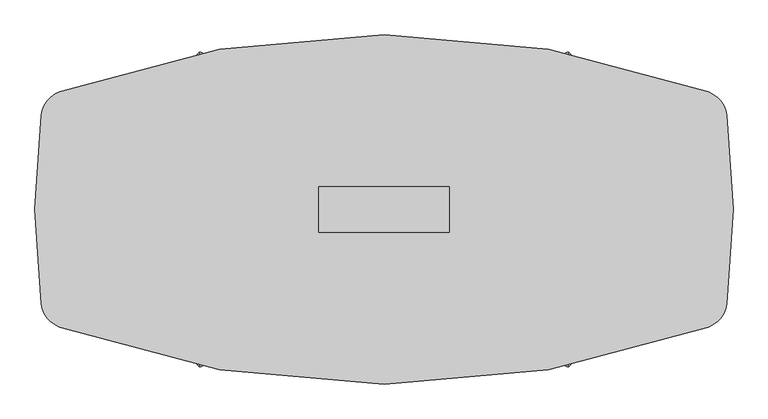
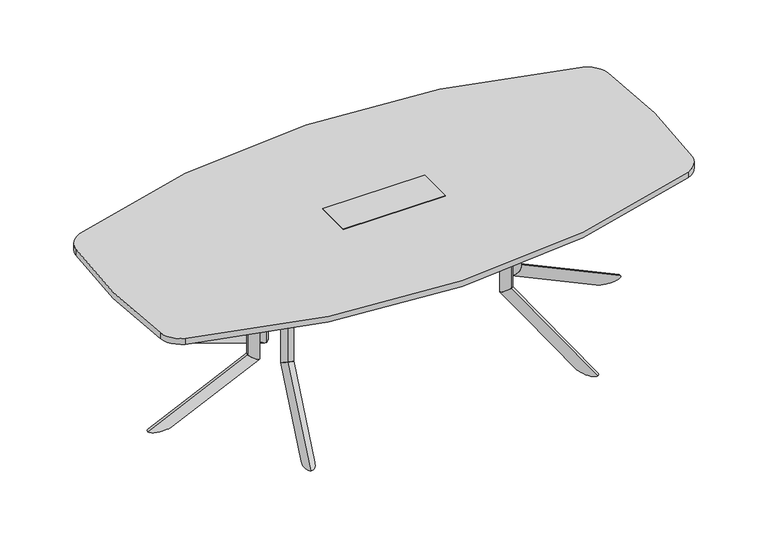
"""IFC4 building model written with IfcOpenShell, lengths in millimetres: furniture geometry."""

from ifc_helpers import new_model, si_unit, point, frame, frame_2d, origin, place, context, project, spatial, polyline, circle_curve, ellipse_curve, trimmed, segment, composite_curve, outline, extrude, faceted_brep, source, transform, mapped, element, save
from ifc_brep_helpers import plane_surface, cylinder_surface, advanced_brep


def furniture_1147ceb9(model_context):
    return source(origin(), model_context, "Body", "SolidModel", [
        advanced_brep(
        [(484.9223919, 75.2941685, 686.003912), (500.9497318, 122.655803, 686.003912), (500.9497318, 122.655803, 209.8373371), (484.9223919, 75.2941685, 177.9838308)],
        [
            (0, 1, circle_curve(frame((492.9360619, 98.9749857, 686.003912), z_axis=(0.0, 0.0, 1.0), x_axis=(0.3205467959798249, 0.9472326808060777, 0.0)), 25.0000002)),
            (1, 0, circle_curve(frame((492.9360619, 98.9749857, 686.003912), z_axis=(0.0, 0.0, 1.0), x_axis=(0.3205467959798249, 0.9472326808060777, 0.0)), 25.0000002)),
            (1, 2),
            (2, 3, ellipse_curve(frame((492.9360619, 98.9749857, 193.910584), z_axis=(-0.17222964099785984, -0.5089476688044559, 0.8433914993526187), x_axis=(0.2703464428741051, 0.7988879909008375, 0.5372995243062679)), 29.6422245, 25.0000002)),
            (3, 0),
            (3, 2, ellipse_curve(frame((492.9360619, 98.9749857, 193.910584), z_axis=(-0.17222964099785984, -0.5089476688044559, 0.8433914993526187), x_axis=(0.2703464428741051, 0.7988879909008375, 0.5372995243062679)), 29.6422245, 25.0000002)),
        ],
        [
            plane_surface(frame((500.9497318, 122.655803, 686.003912), z_axis=(0.0, 0.0, 1.0000000000000002), x_axis=(0.9472326808060777, -0.3205467959798249, 0.0))),
            cylinder_surface(frame((492.9360619, 98.9749857, 171.4949981), z_axis=(0.0, 0.0, 1.0), x_axis=(0.3205467959798249, 0.9472326808060777, 0.0)), 25.0000002),
            plane_surface(frame((567.0881968, 41.2603046, 174.2251154), z_axis=(0.17222964099785987, 0.508947668804456, -0.8433914993526189), x_axis=(-0.9472326808060767, 0.32054679597982794, 0.0))),
        ],
        [
            (0, [[1, 2]]),
            (1, [[3, 4, 5, -2]]),
            (1, [[-5, 6, -3, -1]]),
            (2, [[-6, -4]]),
        ],
    ),
        advanced_brep(
        [(645.1935324, 548.9087623, 0.0), (607.2663703, 436.8270746, 0.0), (484.9203866, 75.2882427, 177.9798453), (500.9497318, 122.6558029, 209.8373371)],
        [
            (0, 1, ellipse_curve(frame((626.230699, 492.8676655, 0.0), z_axis=(0.0, 0.0, 1.0), x_axis=(-0.32054679597982483, -0.9472326808060776, 0.0)), 59.162434, 25.003125)),
            (1, 2),
            (2, 3, ellipse_curve(frame((492.9350592, 98.9720228, 193.9085912), z_axis=(0.17222964099785967, 0.5089476688044554, -0.843391499352619), x_axis=(-0.27034644287410003, -0.7988879909008393, -0.5372995243062673)), 29.6459333, 25.003125)),
            (3, 0),
            (3, 2, ellipse_curve(frame((492.9350592, 98.9720228, 193.9085912), z_axis=(0.17222964099785967, 0.5089476688044554, -0.843391499352619), x_axis=(-0.27034644287410003, -0.7988879909008393, -0.5372995243062673)), 29.6459333, 25.003125)),
            (1, 0, ellipse_curve(frame((626.230699, 492.8676655, 0.0), z_axis=(0.0, 0.0, 1.0), x_axis=(-0.32054679597982483, -0.9472326808060776, 0.0)), 59.162434, 25.003125)),
        ],
        [
            cylinder_surface(frame((641.8078767, 538.8990467, -22.6605205), z_axis=(-0.2905140573061644, -0.858484354750152, 0.42261826174069417), x_axis=(0.13546892972354252, 0.40031782902624236, 0.9063077870366524)), 25.003125),
            plane_surface(frame((570.2905535, 107.1040594, 214.6127246), z_axis=(-0.1722296409978597, -0.5089476688044555, 0.8433914993526193), x_axis=(-0.9472326808060767, 0.3205467959798279, 0.0))),
            plane_surface(frame((651.1451428, 406.9632923, 0.0), z_axis=(0.0, 0.0, -1.0000000000000002), x_axis=(-0.9472326808060768, 0.3205467959798276, 0.0))),
        ],
        [
            (0, [[1, 2, 3, 4]]),
            (0, [[5, -2, 6, -4]]),
            (1, [[-5, -3]]),
            (2, [[-6, -1]]),
        ],
    ),
        extrude(outline(polyline([(0.0, 0.0), (-9.475476, 14.6158843), (381.7231629, 69.2843282), (391.4053704, 0.0), (0.0, 0.0)])), frame((627.1005039, 489.1986462, 670.2172707), z_axis=(-0.9472326808060766, 0.320546795979828, 0.0), x_axis=(-0.3174619360313854, -0.9381167570298226, -0.13840111759322388)), (0.0, 0.0, 1.0), 4.0),
        extrude(outline(polyline([(420.923204, 120.1483939), (558.1259996, 525.589888), (700.2109028, 477.5078683), (563.0081072, 72.0663742), (420.923204, 120.1483939)])), frame((0.0, 0.0, 686.003912), z_axis=(0.0, 0.0, 1.0), x_axis=(1.0, 0.0, 0.0)), (0.0, 0.0, 1.0), 3.9999739),
        advanced_brep(
        [(484.9223919, -75.2941685, 686.003912), (500.9497318, -122.655803, 686.003912), (484.9223919, -75.2941685, 177.9838308), (500.9497318, -122.655803, 209.8373371)],
        [
            (0, 1, circle_curve(frame((492.9360619, -98.9749857, 686.003912), z_axis=(0.0, 0.0, 1.0), x_axis=(0.3205467959798129, -0.9472326808060817, 0.0)), 25.0000002)),
            (1, 0, circle_curve(frame((492.9360619, -98.9749857, 686.003912), z_axis=(0.0, 0.0, 1.0), x_axis=(0.3205467959798129, -0.9472326808060817, 0.0)), 25.0000002)),
            (0, 2),
            (2, 3, ellipse_curve(frame((492.9360619, -98.9749857, 193.910584), z_axis=(-0.17222964099785343, 0.5089476688044581, 0.8433914993526187), x_axis=(0.270346442874095, -0.7988879909008408, 0.5372995243062678)), 29.6422245, 25.0000002)),
            (3, 1),
            (3, 2, ellipse_curve(frame((492.9360619, -98.9749857, 193.910584), z_axis=(-0.17222964099785343, 0.5089476688044581, 0.8433914993526187), x_axis=(0.270346442874095, -0.7988879909008408, 0.5372995243062678)), 29.6422245, 25.0000002)),
        ],
        [
            plane_surface(frame((500.9497318, -122.655803, 686.003912), z_axis=(0.0, 0.0, 1.0), x_axis=(0.9472326808060817, 0.3205467959798129, 0.0))),
            cylinder_surface(frame((492.9360619, -98.9749857, 171.4949981), z_axis=(0.0, 0.0, 1.0), x_axis=(0.3205467959798129, -0.9472326808060817, 0.0)), 25.0000002),
            plane_surface(frame((567.0881968, -41.2603046, 174.2251154), z_axis=(0.17222964099785343, -0.5089476688044581, -0.8433914993526187), x_axis=(-0.9472326808060807, -0.32054679597981595, 0.0))),
        ],
        [
            (0, [[1, 2]]),
            (1, [[-1, 3, 4, 5]]),
            (1, [[-2, -5, 6, -3]]),
            (2, [[-4, -6]]),
        ],
    ),
        advanced_brep(
        [(645.1950232, -548.9082435, 6.4e-06), (500.9497318, -122.6558029, 209.8373371), (484.9203866, -75.2882427, 177.9798453), (607.2663703, -436.8270746, 0.0)],
        [
            (0, 1),
            (1, 2, ellipse_curve(frame((492.9350592, -98.9720228, 193.9085912), z_axis=(0.17222964099785326, -0.5089476688044576, -0.843391499352619), x_axis=(-0.2703464428740898, 0.7988879909008427, -0.5372995243062677)), 29.6459333, 25.003125)),
            (2, 3),
            (3, 0, ellipse_curve(frame((626.230699, -492.8676655, 0.0), z_axis=(0.0, 0.0, 1.0), x_axis=(-0.32054679597981284, 0.9472326808060817, 0.0)), 59.162434, 25.003125)),
            (0, 3, ellipse_curve(frame((626.230699, -492.8676655, 0.0), z_axis=(0.0, 0.0, 1.0), x_axis=(-0.32054679597981284, 0.9472326808060817, 0.0)), 59.162434, 25.003125)),
            (2, 1, ellipse_curve(frame((492.9350592, -98.9720228, 193.9085912), z_axis=(0.17222964099785326, -0.5089476688044576, -0.843391499352619), x_axis=(-0.2703464428740898, 0.7988879909008427, -0.5372995243062677)), 29.6459333, 25.003125)),
        ],
        [
            cylinder_surface(frame((641.8078767, -538.8990467, -22.6605205), z_axis=(-0.29051405730615354, 0.8584843547501557, 0.42261826174069417), x_axis=(0.13546892972353747, -0.400317829026244, 0.9063077870366524)), 25.003125),
            plane_surface(frame((570.2905535, -107.1040594, 214.6127246), z_axis=(-0.17222964099785326, 0.5089476688044576, 0.843391499352619), x_axis=(-0.9472326808060807, -0.3205467959798159, 0.0))),
            plane_surface(frame((651.1451428, -406.9632923, 0.0), z_axis=(0.0, 0.0, -1.0), x_axis=(-0.9472326808060808, -0.3205467959798156, 0.0))),
        ],
        [
            (0, [[1, 2, 3, 4]]),
            (0, [[-1, 5, -3, 6]]),
            (1, [[-2, -6]]),
            (2, [[-4, -5]]),
        ],
    ),
        extrude(outline(polyline([(0.0, 0.0), (9.475476, -14.6158843), (-381.723163, -69.2843282), (-391.4053705, 0.0), (0.0, 0.0)])), frame((623.3115732, -490.4808334, 670.2172707), z_axis=(0.9472326808060806, 0.320546795979816, 0.0), x_axis=(0.31746193603137357, -0.9381167570298267, 0.1384011175932239)), (0.0, 0.0, 1.0), 4.0),
        extrude(outline(polyline([(420.923204, -120.1483939), (563.0081072, -72.0663742), (700.2109028, -477.5078683), (558.1259996, -525.589888), (420.923204, -120.1483939)])), frame((0.0, 0.0, 686.003912), z_axis=(0.0, 0.0, 1.0), x_axis=(1.0, 0.0, 0.0)), (0.0, 0.0, 1.0), 3.9999739),
        advanced_brep(
        [(563.820648, 0.0, 686.4114757), (613.8206484, 0.0, 686.4114757), (563.820648, 0.0, 178.3913945), (613.8206484, 0.0, 210.2449008)],
        [
            (0, 1, circle_curve(frame((588.8206482, 0.0, 686.4114757), z_axis=(0.0, 0.0, 1.0), x_axis=(1.0, 0.0, 0.0)), 25.0000002)),
            (1, 0, circle_curve(frame((588.8206482, 0.0, 686.4114757), z_axis=(0.0, 0.0, 1.0), x_axis=(1.0, 0.0, 0.0)), 25.0000002)),
            (0, 2),
            (2, 3, ellipse_curve(frame((588.8206482, 0.0, 194.3181477), z_axis=(-0.5372995243062679, 0.0, 0.8433914993526187), x_axis=(0.8433914993526187, 0.0, 0.5372995243062678)), 29.6422245, 25.0000002)),
            (3, 1),
            (3, 2, ellipse_curve(frame((588.8206482, 0.0, 194.3181477), z_axis=(-0.5372995243062679, 0.0, 0.8433914993526187), x_axis=(0.8433914993526187, 0.0, 0.5372995243062678)), 29.6422245, 25.0000002)),
        ],
        [
            plane_surface(frame((613.8206484, 0.0, 686.4114757), z_axis=(0.0, 0.0, 1.0), x_axis=(0.0, 1.0, 0.0))),
            cylinder_surface(frame((588.8206482, 0.0, 171.9025618), z_axis=(0.0, 0.0, 1.0), x_axis=(1.0, 0.0, 0.0)), 25.0000002),
            plane_surface(frame((557.9206453, 88.7395816, 174.6326791), z_axis=(0.5372995243062679, 0.0, -0.8433914993526187), x_axis=(0.0, -1.0, 0.0))),
        ],
        [
            (0, [[1, 2]]),
            (1, [[-1, 3, 4, 5]]),
            (1, [[-2, -5, 6, -3]]),
            (2, [[-4, -6]]),
        ],
    ),
        advanced_brep(
        [(1063.8182563, 0.0, 0.4075701), (613.8206484, 0.0, 210.2449008), (563.814392, 0.0, 178.387409), (945.4934021, 0.0, 0.4075637)],
        [
            (0, 1),
            (1, 2, ellipse_curve(frame((588.8175202, 0.0, 194.3161549), z_axis=(0.5372995243062675, 0.0, -0.843391499352619), x_axis=(-0.843391499352619, 0.0, -0.5372995243062674)), 29.6459333, 25.003125)),
            (2, 3),
            (3, 0, ellipse_curve(frame((1004.655836, 0.0, 0.4075637), z_axis=(0.0, 0.0, 1.0), x_axis=(-1.0, 0.0, 0.0)), 59.162434, 25.003125)),
            (0, 3, ellipse_curve(frame((1004.655836, 0.0, 0.4075637), z_axis=(0.0, 0.0, 1.0), x_axis=(-1.0, 0.0, 0.0)), 59.162434, 25.003125)),
            (2, 1, ellipse_curve(frame((588.8175202, 0.0, 194.3161549), z_axis=(0.5372995243062675, 0.0, -0.843391499352619), x_axis=(-0.843391499352619, 0.0, -0.5372995243062674)), 29.6459333, 25.003125)),
        ],
        [
            cylinder_surface(frame((1053.2514791, 0.0, -22.2529568), z_axis=(-0.9063077870366524, 0.0, 0.42261826174069417), x_axis=(0.42261826174069417, 0.0, 0.9063077870366524)), 25.003125),
            plane_surface(frame((621.3165069, 70.666954, 215.0202883), z_axis=(-0.5372995243062675, 0.0, 0.843391499352619), x_axis=(0.0, -1.0, 0.0))),
            plane_surface(frame((931.2706514, 51.136147, 0.4075637), z_axis=(0.0, 0.0, -1.0), x_axis=(0.0, -1.0, 0.0))),
        ],
        [
            (0, [[1, 2, 3, 4]]),
            (0, [[-1, 5, -3, 6]]),
            (1, [[-2, -6]]),
            (2, [[-4, -5]]),
        ],
    ),
        extrude(outline(polyline([(670.6248344, 1001.4592342), (686.4114757, 1008.8206659), (686.4114757, 613.8206484), (616.4538937, 613.8206484), (670.6248344, 1001.4592342)])), frame((0.0, -2.0, 0.0), z_axis=(0.0, 1.0, 0.0), x_axis=(0.0, 0.0, 1.0)), (0.0, 0.0, 1.0), 4.0),
        extrude(outline(polyline([(585.7933015, -75.0000006), (585.7933015, 75.0000006), (1013.8206514, 75.0000006), (1013.8206514, -75.0000006), (585.7933015, -75.0000006)])), frame((0.0, 0.0, 686.4114757), z_axis=(0.0, 0.0, 1.0), x_axis=(1.0, 0.0, 0.0)), (0.0, 0.0, 1.0), 3.9999739),
        extrude(outline(composite_curve([segment(trimmed(circle_curve(frame_2d((487.3271514, 0.1720115)), 88.6441382), [point((515.2449789, 84.3051093))], [point((572.3833158, 25.1366295))], False, "CARTESIAN"), True, "CONTINUOUS"), segment(polyline([(572.3833158, 25.1366295), (567.8135834, 23.795379)]), True, "CONTINUOUS"), segment(trimmed(circle_curve(frame_2d((487.3271514, 0.1720115)), 83.8816382), [point((567.8135834, 23.795379))], [point((513.7450641, 79.7849698))], True, "CARTESIAN"), True, "CONTINUOUS"), segment(polyline([(513.7450641, 79.7849698), (515.2449789, 84.3051093)]), True, "CONTINUOUS")], self_intersect=False)), frame((0.0, 0.0, 417.003907), z_axis=(0.0, 0.0, 1.0), x_axis=(1.0, 0.0, 0.0)), (0.0, 0.0, 1.0), 199.4499866),
        extrude(outline(composite_curve([segment(polyline([(515.2449789, -84.3051093), (513.7450641, -79.7849698)]), True, "CONTINUOUS"), segment(trimmed(circle_curve(frame_2d((487.3271514, -0.1720115)), 83.8816382), [point((513.7450641, -79.7849698))], [point((567.8135834, -23.795379))], True, "CARTESIAN"), True, "CONTINUOUS"), segment(polyline([(567.8135834, -23.795379), (572.3833158, -25.1366295)]), True, "CONTINUOUS"), segment(trimmed(circle_curve(frame_2d((487.3271514, -0.1720115)), 88.6441382), [point((572.3833158, -25.1366295))], [point((515.2449789, -84.3051093))], False, "CARTESIAN"), True, "CONTINUOUS")], self_intersect=False)), frame((0.0, 0.0, 417.003907), z_axis=(0.0, 0.0, 1.0), x_axis=(1.0, 0.0, 0.0)), (0.0, 0.0, 1.0), 199.4499866),
        faceted_brep([(228.6, 79.6726562, 721.2210938), (-228.6, 79.6726562, 721.2210938), (-228.6, -79.6726563, 721.2210938), (228.6, -79.6726563, 721.2210938), (228.6, 79.6726562, 718.0460938), (228.6, -79.6726563, 718.0460938), (-228.6, -79.6726563, 718.0460938), (-228.6, 79.6726562, 718.0460938), (225.425, 74.9101562, 718.0460938), (-225.425, 74.9101562, 718.0460938), (-225.425, -74.9101563, 718.0460938), (225.425, -74.9101563, 718.0460938), (225.425, 74.9101562, 648.1960938), (225.425, -74.9101563, 648.1960938), (-225.425, -74.9101563, 648.1960938), (-225.425, 74.9101562, 648.1960938)], [[[0, 1, 2, 3]], [[4, 5, 6, 7], [8, 9, 10, 11]], [[1, 0, 4, 7]], [[2, 1, 7, 6]], [[3, 2, 6, 5]], [[0, 3, 5, 4]], [[12, 13, 14, 15]], [[12, 15, 9, 8]], [[15, 14, 10, 9]], [[14, 13, 11, 10]], [[13, 12, 8, 11]]]),
        advanced_brep(
        [(-484.9223919, -75.2941685, 686.003912), (-500.9497318, -122.655803, 686.003912), (-500.9497318, -122.655803, 209.8373371), (-484.9223919, -75.2941685, 177.9838308)],
        [
            (0, 1, circle_curve(frame((-492.9360619, -98.9749857, 686.003912), z_axis=(0.0, 0.0, 1.0), x_axis=(-0.3205467959798189, -0.9472326808060797, 0.0)), 25.0000002)),
            (1, 0, circle_curve(frame((-492.9360619, -98.9749857, 686.003912), z_axis=(0.0, 0.0, 1.0), x_axis=(-0.3205467959798189, -0.9472326808060797, 0.0)), 25.0000002)),
            (1, 2),
            (2, 3, ellipse_curve(frame((-492.9360619, -98.9749857, 193.910584), z_axis=(0.17222964099785665, 0.508947668804457, 0.8433914993526188), x_axis=(-0.27034644287410003, -0.7988879909008393, 0.5372995243062675)), 29.6422245, 25.0000002)),
            (3, 0),
            (3, 2, ellipse_curve(frame((-492.9360619, -98.9749857, 193.910584), z_axis=(0.17222964099785665, 0.508947668804457, 0.8433914993526188), x_axis=(-0.27034644287410003, -0.7988879909008393, 0.5372995243062675)), 29.6422245, 25.0000002)),
        ],
        [
            plane_surface(frame((-500.9497318, -122.655803, 686.003912), z_axis=(0.0, 0.0, 1.0), x_axis=(-0.9472326808060797, 0.3205467959798189, 0.0))),
            cylinder_surface(frame((-492.9360619, -98.9749857, 171.4949981), z_axis=(0.0, 0.0, 1.0), x_axis=(-0.3205467959798189, -0.9472326808060797, 0.0)), 25.0000002),
            plane_surface(frame((-567.0881968, -41.2603046, 174.2251154), z_axis=(-0.17222964099785665, -0.508947668804457, -0.8433914993526188), x_axis=(0.9472326808060787, -0.32054679597982194, 0.0))),
        ],
        [
            (0, [[1, 2]]),
            (1, [[3, 4, 5, -2]]),
            (1, [[-5, 6, -3, -1]]),
            (2, [[-6, -4]]),
        ],
    ),
        advanced_brep(
        [(-645.1935324, -548.9087623, 0.0), (-607.2663703, -436.8270746, 0.0), (-484.9203866, -75.2882427, 177.9798453), (-500.9497318, -122.6558029, 209.8373371)],
        [
            (0, 1, ellipse_curve(frame((-626.230699, -492.8676655, 0.0), z_axis=(0.0, 0.0, 1.0), x_axis=(0.32054679597981883, 0.9472326808060797, 0.0)), 59.162434, 25.003125)),
            (1, 2),
            (2, 3, ellipse_curve(frame((-492.9350592, -98.9720228, 193.9085912), z_axis=(-0.17222964099785648, -0.5089476688044566, -0.843391499352619), x_axis=(0.2703464428740949, 0.798887990900841, -0.5372995243062678)), 29.6459333, 25.003125)),
            (3, 0),
            (3, 2, ellipse_curve(frame((-492.9350592, -98.9720228, 193.9085912), z_axis=(-0.17222964099785648, -0.5089476688044566, -0.843391499352619), x_axis=(0.2703464428740949, 0.798887990900841, -0.5372995243062678)), 29.6459333, 25.003125)),
            (1, 0, ellipse_curve(frame((-626.230699, -492.8676655, 0.0), z_axis=(0.0, 0.0, 1.0), x_axis=(0.32054679597981883, 0.9472326808060797, 0.0)), 59.162434, 25.003125)),
        ],
        [
            cylinder_surface(frame((-641.8078767, -538.8990467, -22.6605205), z_axis=(0.290514057306159, 0.8584843547501538, 0.42261826174069417), x_axis=(-0.13546892972354, -0.4003178290262432, 0.9063077870366524)), 25.003125),
            plane_surface(frame((-570.2905535, -107.1040594, 214.6127246), z_axis=(0.17222964099785648, 0.5089476688044566, 0.843391499352619), x_axis=(0.9472326808060787, -0.3205467959798219, 0.0))),
            plane_surface(frame((-651.1451428, -406.9632923, 0.0), z_axis=(0.0, 0.0, -1.0000000000000002), x_axis=(0.9472326808060788, -0.3205467959798216, 0.0))),
        ],
        [
            (0, [[1, 2, 3, 4]]),
            (0, [[5, -2, 6, -4]]),
            (1, [[-5, -3]]),
            (2, [[-6, -1]]),
        ],
    ),
        extrude(outline(polyline([(0.0, 0.0), (-391.4053705, 0.0), (-381.723163, 69.2843282), (9.475476, 14.6158843), (0.0, 0.0)])), frame((-623.3115732, -490.4808334, 670.2172707), z_axis=(-0.9472326808060786, 0.320546795979822, 0.0), x_axis=(-0.31746193603137945, -0.9381167570298246, 0.13840111759322388)), (0.0, 0.0, 1.0), 4.0),
        extrude(outline(polyline([(-420.923204, -120.1483939), (-558.1259996, -525.589888), (-700.2109028, -477.5078683), (-563.0081072, -72.0663742), (-420.923204, -120.1483939)])), frame((0.0, 0.0, 686.003912), z_axis=(0.0, 0.0, 1.0), x_axis=(1.0, 0.0, 0.0)), (0.0, 0.0, 1.0), 3.9999739),
        advanced_brep(
        [(-484.9223919, 75.2941685, 686.003912), (-500.9497318, 122.655803, 686.003912), (-484.9223919, 75.2941685, 177.9838308), (-500.9497318, 122.655803, 209.8373371)],
        [
            (0, 1, circle_curve(frame((-492.9360619, 98.9749857, 686.003912), z_axis=(0.0, 0.0, 1.0), x_axis=(-0.3205467959798189, 0.9472326808060797, 0.0)), 25.0000002)),
            (1, 0, circle_curve(frame((-492.9360619, 98.9749857, 686.003912), z_axis=(0.0, 0.0, 1.0), x_axis=(-0.3205467959798189, 0.9472326808060797, 0.0)), 25.0000002)),
            (0, 2),
            (2, 3, ellipse_curve(frame((-492.9360619, 98.9749857, 193.910584), z_axis=(0.17222964099785665, -0.508947668804457, 0.8433914993526188), x_axis=(-0.27034644287410003, 0.7988879909008393, 0.5372995243062675)), 29.6422245, 25.0000002)),
            (3, 1),
            (3, 2, ellipse_curve(frame((-492.9360619, 98.9749857, 193.910584), z_axis=(0.17222964099785665, -0.508947668804457, 0.8433914993526188), x_axis=(-0.27034644287410003, 0.7988879909008393, 0.5372995243062675)), 29.6422245, 25.0000002)),
        ],
        [
            plane_surface(frame((-500.9497318, 122.655803, 686.003912), z_axis=(0.0, 0.0, 1.0), x_axis=(-0.9472326808060797, -0.3205467959798189, 0.0))),
            cylinder_surface(frame((-492.9360619, 98.9749857, 171.4949981), z_axis=(0.0, 0.0, 1.0), x_axis=(-0.3205467959798189, 0.9472326808060797, 0.0)), 25.0000002),
            plane_surface(frame((-567.0881968, 41.2603046, 174.2251154), z_axis=(-0.17222964099785665, 0.508947668804457, -0.8433914993526188), x_axis=(0.9472326808060787, 0.32054679597982194, 0.0))),
        ],
        [
            (0, [[1, 2]]),
            (1, [[-1, 3, 4, 5]]),
            (1, [[-2, -5, 6, -3]]),
            (2, [[-4, -6]]),
        ],
    ),
        advanced_brep(
        [(-645.1950232, 548.9082435, 6.4e-06), (-500.9497318, 122.6558029, 209.8373371), (-484.9203866, 75.2882427, 177.9798453), (-607.2663703, 436.8270746, 0.0)],
        [
            (0, 1),
            (1, 2, ellipse_curve(frame((-492.9350592, 98.9720228, 193.9085912), z_axis=(-0.17222964099785648, 0.5089476688044566, -0.843391499352619), x_axis=(0.2703464428740949, -0.798887990900841, -0.5372995243062678)), 29.6459333, 25.003125)),
            (2, 3),
            (3, 0, ellipse_curve(frame((-626.230699, 492.8676655, 0.0), z_axis=(0.0, 0.0, 1.0), x_axis=(0.32054679597981883, -0.9472326808060797, 0.0)), 59.162434, 25.003125)),
            (0, 3, ellipse_curve(frame((-626.230699, 492.8676655, 0.0), z_axis=(0.0, 0.0, 1.0), x_axis=(0.32054679597981883, -0.9472326808060797, 0.0)), 59.162434, 25.003125)),
            (2, 1, ellipse_curve(frame((-492.9350592, 98.9720228, 193.9085912), z_axis=(-0.17222964099785648, 0.5089476688044566, -0.843391499352619), x_axis=(0.2703464428740949, -0.798887990900841, -0.5372995243062678)), 29.6459333, 25.003125)),
        ],
        [
            cylinder_surface(frame((-641.8078767, 538.8990467, -22.6605205), z_axis=(0.290514057306159, -0.8584843547501538, 0.42261826174069417), x_axis=(-0.13546892972354, 0.4003178290262432, 0.9063077870366524)), 25.003125),
            plane_surface(frame((-570.2905535, 107.1040594, 214.6127246), z_axis=(0.17222964099785648, -0.5089476688044566, 0.843391499352619), x_axis=(0.9472326808060787, 0.3205467959798219, 0.0))),
            plane_surface(frame((-651.1451428, 406.9632923, 0.0), z_axis=(0.0, 0.0, -1.0000000000000002), x_axis=(0.9472326808060788, 0.3205467959798216, 0.0))),
        ],
        [
            (0, [[1, 2, 3, 4]]),
            (0, [[-1, 5, -3, 6]]),
            (1, [[-2, -6]]),
            (2, [[-4, -5]]),
        ],
    ),
        extrude(outline(polyline([(0.0, 0.0), (391.4053704, 0.0), (381.7231629, -69.2843282), (-9.475476, -14.6158843), (0.0, 0.0)])), frame((-627.1005039, 489.1986462, 670.2172707), z_axis=(0.9472326808060786, 0.320546795979822, 0.0), x_axis=(0.31746193603137945, -0.9381167570298246, -0.13840111759322388)), (0.0, 0.0, 1.0), 4.0),
        extrude(outline(polyline([(-420.923204, 120.1483939), (-563.0081072, 72.0663742), (-700.2109028, 477.5078683), (-558.1259996, 525.589888), (-420.923204, 120.1483939)])), frame((0.0, 0.0, 686.003912), z_axis=(0.0, 0.0, 1.0), x_axis=(1.0, 0.0, 0.0)), (0.0, 0.0, 1.0), 3.9999739),
        advanced_brep(
        [(-563.820648, 0.0, 686.4114757), (-613.8206484, 0.0, 686.4114757), (-563.820648, 0.0, 178.3913945), (-613.8206484, 0.0, 210.2449008)],
        [
            (0, 1, circle_curve(frame((-588.8206482, 0.0, 686.4114757), z_axis=(0.0, 0.0, 1.0), x_axis=(-1.0, 0.0, 0.0)), 25.0000002)),
            (1, 0, circle_curve(frame((-588.8206482, 0.0, 686.4114757), z_axis=(0.0, 0.0, 1.0), x_axis=(-1.0, 0.0, 0.0)), 25.0000002)),
            (0, 2),
            (2, 3, ellipse_curve(frame((-588.8206482, 0.0, 194.3181477), z_axis=(0.5372995243062679, 0.0, 0.8433914993526187), x_axis=(-0.8433914993526187, 0.0, 0.5372995243062678)), 29.6422245, 25.0000002)),
            (3, 1),
            (3, 2, ellipse_curve(frame((-588.8206482, 0.0, 194.3181477), z_axis=(0.5372995243062679, 0.0, 0.8433914993526187), x_axis=(-0.8433914993526187, 0.0, 0.5372995243062678)), 29.6422245, 25.0000002)),
        ],
        [
            plane_surface(frame((-613.8206484, 0.0, 686.4114757), z_axis=(0.0, 0.0, 1.0), x_axis=(0.0, -1.0, 0.0))),
            cylinder_surface(frame((-588.8206482, 0.0, 171.9025618), z_axis=(0.0, 0.0, 1.0), x_axis=(-1.0, 0.0, 0.0)), 25.0000002),
            plane_surface(frame((-557.9206453, -88.7395816, 174.6326791), z_axis=(-0.5372995243062679, 0.0, -0.8433914993526187), x_axis=(0.0, 1.0, 0.0))),
        ],
        [
            (0, [[1, 2]]),
            (1, [[-1, 3, 4, 5]]),
            (1, [[-2, -5, 6, -3]]),
            (2, [[-4, -6]]),
        ],
    ),
        advanced_brep(
        [(-1063.8182563, 0.0, 0.4075701), (-613.8206484, 0.0, 210.2449008), (-563.814392, 0.0, 178.387409), (-945.4934021, 0.0, 0.4075637)],
        [
            (0, 1),
            (1, 2, ellipse_curve(frame((-588.8175202, 0.0, 194.3161549), z_axis=(-0.5372995243062675, 0.0, -0.843391499352619), x_axis=(0.843391499352619, 0.0, -0.5372995243062674)), 29.6459333, 25.003125)),
            (2, 3),
            (3, 0, ellipse_curve(frame((-1004.655836, 0.0, 0.4075637), z_axis=(0.0, 0.0, 1.0), x_axis=(1.0, 0.0, 0.0)), 59.162434, 25.003125)),
            (0, 3, ellipse_curve(frame((-1004.655836, 0.0, 0.4075637), z_axis=(0.0, 0.0, 1.0), x_axis=(1.0, 0.0, 0.0)), 59.162434, 25.003125)),
            (2, 1, ellipse_curve(frame((-588.8175202, 0.0, 194.3161549), z_axis=(-0.5372995243062675, 0.0, -0.843391499352619), x_axis=(0.843391499352619, 0.0, -0.5372995243062674)), 29.6459333, 25.003125)),
        ],
        [
            cylinder_surface(frame((-1053.2514791, 0.0, -22.2529568), z_axis=(0.9063077870366524, 0.0, 0.42261826174069417), x_axis=(-0.42261826174069417, 0.0, 0.9063077870366524)), 25.003125),
            plane_surface(frame((-621.3165069, -70.666954, 215.0202883), z_axis=(0.5372995243062675, 0.0, 0.843391499352619), x_axis=(0.0, 1.0, 0.0))),
            plane_surface(frame((-931.2706514, -51.136147, 0.4075637), z_axis=(0.0, 0.0, -1.0), x_axis=(0.0, 1.0, 0.0))),
        ],
        [
            (0, [[1, 2, 3, 4]]),
            (0, [[-1, 5, -3, 6]]),
            (1, [[-2, -6]]),
            (2, [[-4, -5]]),
        ],
    ),
        extrude(outline(polyline([(670.6248344, -1001.4592342), (616.4538937, -613.8206484), (686.4114757, -613.8206484), (686.4114757, -1008.8206659), (670.6248344, -1001.4592342)])), frame((0.0, -2.0, 0.0), z_axis=(0.0, 1.0, 0.0), x_axis=(0.0, 0.0, 1.0)), (0.0, 0.0, 1.0), 4.0),
        extrude(outline(polyline([(-585.7933015, 75.0000006), (-585.7933015, -75.0000006), (-1013.8206514, -75.0000006), (-1013.8206514, 75.0000006), (-585.7933015, 75.0000006)])), frame((0.0, 0.0, 686.4114757), z_axis=(0.0, 0.0, 1.0), x_axis=(1.0, 0.0, 0.0)), (0.0, 0.0, 1.0), 3.9999739),
        extrude(outline(composite_curve([segment(trimmed(circle_curve(frame_2d((-487.3271514, -0.1720115)), 88.6441382), [point((-515.2449789, -84.3051093))], [point((-572.3833158, -25.1366295))], False, "CARTESIAN"), True, "CONTINUOUS"), segment(polyline([(-572.3833158, -25.1366295), (-567.8135834, -23.795379)]), True, "CONTINUOUS"), segment(trimmed(circle_curve(frame_2d((-487.3271514, -0.1720115)), 83.8816382), [point((-567.8135834, -23.795379))], [point((-513.7450641, -79.7849698))], True, "CARTESIAN"), True, "CONTINUOUS"), segment(polyline([(-513.7450641, -79.7849698), (-515.2449789, -84.3051093)]), True, "CONTINUOUS")], self_intersect=False)), frame((0.0, 0.0, 417.003907), z_axis=(0.0, 0.0, 1.0), x_axis=(1.0, 0.0, 0.0)), (0.0, 0.0, 1.0), 199.4499866),
        extrude(outline(composite_curve([segment(polyline([(-515.2449789, 84.3051093), (-513.7450641, 79.7849698)]), True, "CONTINUOUS"), segment(trimmed(circle_curve(frame_2d((-487.3271514, 0.1720115)), 83.8816382), [point((-513.7450641, 79.7849698))], [point((-567.8135834, 23.795379))], True, "CARTESIAN"), True, "CONTINUOUS"), segment(polyline([(-567.8135834, 23.795379), (-572.3833158, 25.1366295)]), True, "CONTINUOUS"), segment(trimmed(circle_curve(frame_2d((-487.3271514, 0.1720115)), 88.6441382), [point((-572.3833158, 25.1366295))], [point((-515.2449789, 84.3051093))], False, "CARTESIAN"), True, "CONTINUOUS")], self_intersect=False)), frame((0.0, 0.0, 417.003907), z_axis=(0.0, 0.0, 1.0), x_axis=(1.0, 0.0, 0.0)), (0.0, 0.0, 1.0), 199.4499866),
        extrude(outline(composite_curve([segment(trimmed(circle_curve(frame_2d((1097.0460001, 315.514146)), 101.6), [point((1131.6318638, 411.0462245))], [point((1197.7874842, 328.6941835))], False, "CARTESIAN"), True, "CONTINUOUS"), segment(trimmed(circle_curve(frame_2d((-1314.8375535, -0.0332776)), 2534.0375537), [point((1197.7874842, 328.6941835))], [point((1197.7970052, -328.6879566))], False, "CARTESIAN"), True, "CONTINUOUS"), segment(trimmed(circle_curve(frame_2d((1097.0551394, -315.5108372)), 101.6), [point((1197.7970052, -328.6879566))], [point((1131.6412912, -411.0428115))], False, "CARTESIAN"), True, "CONTINUOUS"), segment(trimmed(circle_curve(frame_2d((-0.0824982, 2714.942656)), 3324.542657), [point((1131.6412912, -411.0428115))], [point((-1131.6276294, -411.1074866))], False, "CARTESIAN"), True, "CONTINUOUS"), segment(trimmed(circle_curve(frame_2d((-1097.0469375, -315.5735359)), 101.6), [point((-1131.6276294, -411.1074866))], [point((-1197.7884608, -328.7532741))], False, "CARTESIAN"), True, "CONTINUOUS"), segment(trimmed(circle_curve(frame_2d((1314.8375535, -0.0332776)), 2534.0375537), [point((-1197.7884608, -328.7532741))], [point((-1197.7789378, 328.7595011))], False, "CARTESIAN"), True, "CONTINUOUS"), segment(trimmed(circle_curve(frame_2d((-1097.0377964, 315.5768447)), 101.6), [point((-1197.7789378, 328.7595011))], [point((-1131.6182001, 411.1108998))], False, "CARTESIAN"), True, "CONTINUOUS"), segment(trimmed(circle_curve(frame_2d((-0.0824982, -2714.942656)), 3324.542657), [point((-1131.6182001, 411.1108998))], [point((1131.6318638, 411.0462245))], False, "CARTESIAN"), True, "CONTINUOUS")], self_intersect=False)), frame((0.0, 0.0, 689.9671875), z_axis=(0.0, 0.0, 1.0), x_axis=(1.0, 0.0, 0.0)), (0.0, 0.0, 1.0), 28.0789063),
        extrude(outline(polyline([(463.55, -88.7586607), (463.55, -95.1086607), (-463.55, -95.1086607), (-463.55, -88.7586607), (463.55, -88.7586607)])), frame((0.0, 0.0, 417.003907), z_axis=(0.0, 0.0, 1.0), x_axis=(1.0, 0.0, 0.0)), (0.0, 0.0, 1.0), 272.9999788),
        extrude(outline(polyline([(463.55, 95.1086607), (463.55, 88.7586607), (-463.55, 88.7586607), (-463.55, 95.1086607), (463.55, 95.1086607)])), frame((0.0, 0.0, 417.003907), z_axis=(0.0, 0.0, 1.0), x_axis=(1.0, 0.0, 0.0)), (0.0, 0.0, 1.0), 272.9999788),
    ])


if __name__ == "__main__":
    model = new_model("IFC4")
    model_context = context("Model", 3, world=origin())
    ifc_project = project(units=[si_unit("LENGTHUNIT", "METRE", prefix="MILLI")], contexts=[model_context])
    site = spatial("IfcSite", under=ifc_project)
    building = spatial("IfcBuilding", under=site)
    placement = place(None, origin())
    furniture_shape = furniture_1147ceb9(model_context)
    element("IfcFurniture", 1, at=placement, inside=building, context=model_context, shape_type="MappedRepresentation", body=[
        mapped(furniture_shape, transform((0.0, 0.0, 0.0), x_axis=(1.0, 0.0, 0.0), y_axis=(0.0, 1.0, 0.0), z_axis=(0.0, 0.0, 1.0))),
    ])
    save(model, "model.ifc")
